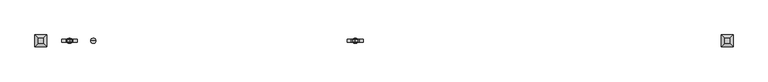
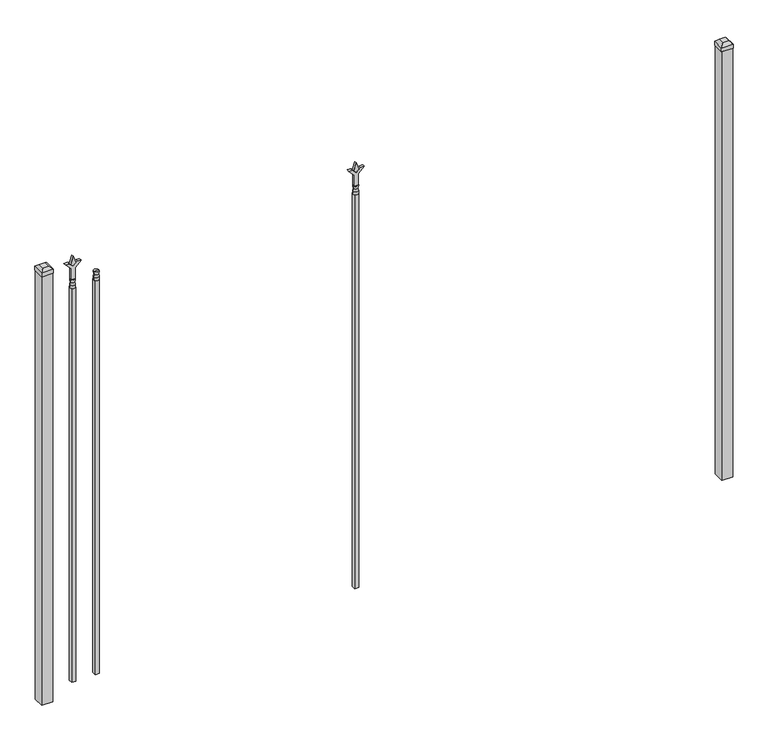
"""IFC4 building model written with IfcOpenShell, lengths in millimetres: railing geometry."""

from ifc_helpers import new_model, si_unit, frame, origin, origin_with_axes, place, context, project, spatial, polyline, circle_curve, outline, extrude, faceted_brep, source, transform, mapped, element, save
from ifc_brep_helpers import plane_surface, cylinder_surface, revolved_surface, advanced_brep


def railing_05d75463(model_context):
    return source(origin(), model_context, "Body", "SolidModel", [
        advanced_brep(
        [(-61092.3764203, 5460.7429826, 1993.9), (-61116.1889203, 5460.7429826, 1993.9), (-61116.1889203, 5460.7429826, 1981.2), (-61092.3764203, 5460.7429826, 1981.2), (-61094.5817522, 5460.7429826, 2006.4070585), (-61113.9835884, 5460.7429826, 2006.4070585), (-61092.3764203, 5460.7429826, 2022.475), (-61116.1889203, 5460.7429826, 2022.475), (-61104.2826703, 5460.7429826, 2022.475), (-61104.2826703, 5460.7429826, 1981.2)],
        [
            (0, 1, circle_curve(frame((-61104.2826703, 5460.7429826, 1993.9), z_axis=(0.0, 0.0, -1.0), x_axis=(-1.0, 0.0, 0.0)), 11.90625)),
            (1, 2),
            (2, 3, circle_curve(frame((-61104.2826703, 5460.7429826, 1981.2), z_axis=(0.0, 0.0, 1.0), x_axis=(-1.0, 0.0, 0.0)), 11.90625)),
            (3, 0),
            (1, 0, circle_curve(frame((-61104.2826703, 5460.7429826, 1993.9), z_axis=(0.0, 0.0, -1.0), x_axis=(-1.0, 0.0, 0.0)), 11.90625)),
            (3, 2, circle_curve(frame((-61104.2826703, 5460.7429826, 1981.2), z_axis=(0.0, 0.0, 1.0), x_axis=(-1.0, 0.0, 0.0)), 11.90625)),
            (4, 5, circle_curve(frame((-61104.2826703, 5460.7429826, 2006.4070585), z_axis=(0.0, 0.0, -1.0), x_axis=(-1.0, 0.0, 0.0)), 9.7009181)),
            (5, 1),
            (0, 4),
            (5, 4, circle_curve(frame((-61104.2826703, 5460.7429826, 2006.4070585), z_axis=(0.0, 0.0, -1.0), x_axis=(-1.0, 0.0, 0.0)), 9.7009181)),
            (6, 7, circle_curve(frame((-61104.2826703, 5460.7429826, 2022.475), z_axis=(0.0, 0.0, -1.0), x_axis=(-1.0, 0.0, 0.0)), 11.90625)),
            (7, 5),
            (4, 6),
            (7, 6, circle_curve(frame((-61104.2826703, 5460.7429826, 2022.475), z_axis=(0.0, 0.0, -1.0), x_axis=(-1.0, 0.0, 0.0)), 11.90625)),
            (8, 7),
            (6, 8),
            (2, 9),
            (9, 3),
        ],
        [
            cylinder_surface(frame((-61104.2826703, 5460.7429826, 1981.2), z_axis=(0.0, 0.0, 1.0), x_axis=(-1.0, 0.0, 0.0)), 11.90625),
            revolved_surface(polyline([(-61116.1889203, 5460.7429826, 1993.9), (-61113.9835884, 5460.7429826, 2006.4070585)]), (-61104.2826703, 5460.7429826, 1981.2), (0.0, 0.0, 1.0)),
            revolved_surface(polyline([(-61113.9835884, 5460.7429826, 2006.4070585), (-61116.1889203, 5460.7429826, 2022.475)]), (-61104.2826703, 5460.7429826, 1981.2), (0.0, 0.0, 1.0)),
            plane_surface(frame((-61104.2826703, 5460.7429826, 2022.475), z_axis=(0.0, 0.0, 1.0), x_axis=(-1.0, 0.0, 0.0))),
            plane_surface(frame((-61104.2826703, 5460.7429826, 1981.2), z_axis=(0.0, 0.0, -1.0), x_axis=(-1.0, 0.0, 0.0))),
        ],
        [
            (0, [[1, 2, 3, 4]]),
            (0, [[5, -4, 6, -2]]),
            (1, [[7, 8, -1, 9]]),
            (1, [[10, -9, -5, -8]]),
            (2, [[11, 12, -7, 13]]),
            (2, [[14, -13, -10, -12]]),
            (3, [[15, -11, 16]]),
            (3, [[-16, -14, -15]]),
            (4, [[-3, 17, 18]]),
            (4, [[-6, -18, -17]]),
        ],
    ),
        extrude(outline(polyline([(-61113.8076703, 5470.2679826), (-61094.7576703, 5470.2679826), (-61094.7576703, 5451.2179826), (-61113.8076703, 5451.2179826), (-61113.8076703, 5470.2679826)])), frame((0.0, 0.0, 50.8), z_axis=(0.0, 0.0, 1.0), x_axis=(1.0, 0.0, 0.0)), (0.0, 0.0, 1.0), 1930.4),
        extrude(outline(polyline([(2097.88125, -59890.374337), (2133.6, -59902.280587), (2097.88125, -59914.186837), (2085.975, -59902.280587), (2097.88125, -59890.374337)])), frame((0.0, 5455.9804826, 0.0), z_axis=(0.0, 1.0, 0.0), x_axis=(0.0, 0.0, 1.0)), (0.0, 0.0, 1.0), 9.525),
        extrude(outline(polyline([(2022.475, -59893.549337), (2076.7457378, -59893.549337), (2103.9355122, -59866.3595625), (2103.9355122, -59884.3200747), (2085.975, -59902.280587), (2103.9355122, -59920.2410992), (2103.9355122, -59938.2016114), (2076.7457378, -59911.011837), (2022.475, -59911.011837), (2022.475, -59893.549337)])), frame((0.0, 5454.3929826, 0.0), z_axis=(0.0, 1.0, 0.0), x_axis=(0.0, 0.0, 1.0)), (0.0, 0.0, 1.0), 12.7),
        advanced_brep(
        [(-59890.374337, 5460.7429826, 1993.9), (-59914.186837, 5460.7429826, 1993.9), (-59914.186837, 5460.7429826, 1981.2), (-59890.374337, 5460.7429826, 1981.2), (-59892.5796688, 5460.7429826, 2006.4070585), (-59911.9815051, 5460.7429826, 2006.4070585), (-59890.374337, 5460.7429826, 2022.475), (-59914.186837, 5460.7429826, 2022.475), (-59902.280587, 5460.7429826, 2022.475), (-59902.280587, 5460.7429826, 1981.2)],
        [
            (0, 1, circle_curve(frame((-59902.280587, 5460.7429826, 1993.9), z_axis=(0.0, 0.0, -1.0), x_axis=(-1.0, 0.0, 0.0)), 11.90625)),
            (1, 2),
            (2, 3, circle_curve(frame((-59902.280587, 5460.7429826, 1981.2), z_axis=(0.0, 0.0, 1.0), x_axis=(-1.0, 0.0, 0.0)), 11.90625)),
            (3, 0),
            (1, 0, circle_curve(frame((-59902.280587, 5460.7429826, 1993.9), z_axis=(0.0, 0.0, -1.0), x_axis=(-1.0, 0.0, 0.0)), 11.90625)),
            (3, 2, circle_curve(frame((-59902.280587, 5460.7429826, 1981.2), z_axis=(0.0, 0.0, 1.0), x_axis=(-1.0, 0.0, 0.0)), 11.90625)),
            (4, 5, circle_curve(frame((-59902.280587, 5460.7429826, 2006.4070585), z_axis=(0.0, 0.0, -1.0), x_axis=(-1.0, 0.0, 0.0)), 9.7009181)),
            (5, 1),
            (0, 4),
            (5, 4, circle_curve(frame((-59902.280587, 5460.7429826, 2006.4070585), z_axis=(0.0, 0.0, -1.0), x_axis=(-1.0, 0.0, 0.0)), 9.7009181)),
            (6, 7, circle_curve(frame((-59902.280587, 5460.7429826, 2022.475), z_axis=(0.0, 0.0, -1.0), x_axis=(-1.0, 0.0, 0.0)), 11.90625)),
            (7, 5),
            (4, 6),
            (7, 6, circle_curve(frame((-59902.280587, 5460.7429826, 2022.475), z_axis=(0.0, 0.0, -1.0), x_axis=(-1.0, 0.0, 0.0)), 11.90625)),
            (8, 7),
            (6, 8),
            (2, 9),
            (9, 3),
        ],
        [
            cylinder_surface(frame((-59902.280587, 5460.7429826, 1981.2), z_axis=(0.0, 0.0, 1.0), x_axis=(-1.0, 0.0, 0.0)), 11.90625),
            revolved_surface(polyline([(-59914.186837, 5460.7429826, 1993.9), (-59911.9815051, 5460.7429826, 2006.4070585)]), (-59902.280587, 5460.7429826, 1981.2), (0.0, 0.0, 1.0)),
            revolved_surface(polyline([(-59911.9815051, 5460.7429826, 2006.4070585), (-59914.186837, 5460.7429826, 2022.475)]), (-59902.280587, 5460.7429826, 1981.2), (0.0, 0.0, 1.0)),
            plane_surface(frame((-59902.280587, 5460.7429826, 2022.475), z_axis=(0.0, 0.0, 1.0), x_axis=(-1.0, 0.0, 0.0))),
            plane_surface(frame((-59902.280587, 5460.7429826, 1981.2), z_axis=(0.0, 0.0, -1.0), x_axis=(-1.0, 0.0, 0.0))),
        ],
        [
            (0, [[1, 2, 3, 4]]),
            (0, [[5, -4, 6, -2]]),
            (1, [[7, 8, -1, 9]]),
            (1, [[10, -9, -5, -8]]),
            (2, [[11, 12, -7, 13]]),
            (2, [[14, -13, -10, -12]]),
            (3, [[15, -11, 16]]),
            (3, [[-16, -14, -15]]),
            (4, [[-3, 17, 18]]),
            (4, [[-6, -18, -17]]),
        ],
    ),
        extrude(outline(polyline([(-59911.805587, 5470.2679826), (-59892.755587, 5470.2679826), (-59892.755587, 5451.2179826), (-59911.805587, 5451.2179826), (-59911.805587, 5470.2679826)])), frame((0.0, 0.0, 50.8), z_axis=(0.0, 0.0, 1.0), x_axis=(1.0, 0.0, 0.0)), (0.0, 0.0, 1.0), 1930.4),
        extrude(outline(polyline([(2097.88125, -61201.649337), (2133.6, -61213.555587), (2097.88125, -61225.461837), (2085.975, -61213.555587), (2097.88125, -61201.649337)])), frame((0.0, 5455.9804826, 0.0), z_axis=(0.0, 1.0, 0.0), x_axis=(0.0, 0.0, 1.0)), (0.0, 0.0, 1.0), 9.525),
        extrude(outline(polyline([(2022.475, -61204.824337), (2076.7457378, -61204.824337), (2103.9355122, -61177.6345625), (2103.9355122, -61195.5950747), (2085.975, -61213.555587), (2103.9355122, -61231.5160992), (2103.9355122, -61249.4766114), (2076.7457378, -61222.286837), (2022.475, -61222.286837), (2022.475, -61204.824337)])), frame((0.0, 5454.3929826, 0.0), z_axis=(0.0, 1.0, 0.0), x_axis=(0.0, 0.0, 1.0)), (0.0, 0.0, 1.0), 12.7),
        advanced_brep(
        [(-61201.649337, 5460.7429826, 1993.9), (-61225.461837, 5460.7429826, 1993.9), (-61225.461837, 5460.7429826, 1981.2), (-61201.649337, 5460.7429826, 1981.2), (-61203.8546688, 5460.7429826, 2006.4070585), (-61223.2565051, 5460.7429826, 2006.4070585), (-61201.649337, 5460.7429826, 2022.475), (-61225.461837, 5460.7429826, 2022.475), (-61213.555587, 5460.7429826, 2022.475), (-61213.555587, 5460.7429826, 1981.2)],
        [
            (0, 1, circle_curve(frame((-61213.555587, 5460.7429826, 1993.9), z_axis=(0.0, 0.0, -1.0), x_axis=(-1.0, 0.0, 0.0)), 11.90625)),
            (1, 2),
            (2, 3, circle_curve(frame((-61213.555587, 5460.7429826, 1981.2), z_axis=(0.0, 0.0, 1.0), x_axis=(-1.0, 0.0, 0.0)), 11.90625)),
            (3, 0),
            (1, 0, circle_curve(frame((-61213.555587, 5460.7429826, 1993.9), z_axis=(0.0, 0.0, -1.0), x_axis=(-1.0, 0.0, 0.0)), 11.90625)),
            (3, 2, circle_curve(frame((-61213.555587, 5460.7429826, 1981.2), z_axis=(0.0, 0.0, 1.0), x_axis=(-1.0, 0.0, 0.0)), 11.90625)),
            (4, 5, circle_curve(frame((-61213.555587, 5460.7429826, 2006.4070585), z_axis=(0.0, 0.0, -1.0), x_axis=(-1.0, 0.0, 0.0)), 9.7009181)),
            (5, 1),
            (0, 4),
            (5, 4, circle_curve(frame((-61213.555587, 5460.7429826, 2006.4070585), z_axis=(0.0, 0.0, -1.0), x_axis=(-1.0, 0.0, 0.0)), 9.7009181)),
            (6, 7, circle_curve(frame((-61213.555587, 5460.7429826, 2022.475), z_axis=(0.0, 0.0, -1.0), x_axis=(-1.0, 0.0, 0.0)), 11.90625)),
            (7, 5),
            (4, 6),
            (7, 6, circle_curve(frame((-61213.555587, 5460.7429826, 2022.475), z_axis=(0.0, 0.0, -1.0), x_axis=(-1.0, 0.0, 0.0)), 11.90625)),
            (8, 7),
            (6, 8),
            (2, 9),
            (9, 3),
        ],
        [
            cylinder_surface(frame((-61213.555587, 5460.7429826, 1981.2), z_axis=(0.0, 0.0, 1.0), x_axis=(-1.0, 0.0, 0.0)), 11.90625),
            revolved_surface(polyline([(-61225.461837, 5460.7429826, 1993.9), (-61223.2565051, 5460.7429826, 2006.4070585)]), (-61213.555587, 5460.7429826, 1981.2), (0.0, 0.0, 1.0)),
            revolved_surface(polyline([(-61223.2565051, 5460.7429826, 2006.4070585), (-61225.461837, 5460.7429826, 2022.475)]), (-61213.555587, 5460.7429826, 1981.2), (0.0, 0.0, 1.0)),
            plane_surface(frame((-61213.555587, 5460.7429826, 2022.475), z_axis=(0.0, 0.0, 1.0), x_axis=(-1.0, 0.0, 0.0))),
            plane_surface(frame((-61213.555587, 5460.7429826, 1981.2), z_axis=(0.0, 0.0, -1.0), x_axis=(-1.0, 0.0, 0.0))),
        ],
        [
            (0, [[1, 2, 3, 4]]),
            (0, [[5, -4, 6, -2]]),
            (1, [[7, 8, -1, 9]]),
            (1, [[10, -9, -5, -8]]),
            (2, [[11, 12, -7, 13]]),
            (2, [[14, -13, -10, -12]]),
            (3, [[15, -11, 16]]),
            (3, [[-16, -14, -15]]),
            (4, [[-3, 17, 18]]),
            (4, [[-6, -18, -17]]),
        ],
    ),
        extrude(outline(polyline([(-61223.080587, 5470.2679826), (-61204.030587, 5470.2679826), (-61204.030587, 5451.2179826), (-61223.080587, 5451.2179826), (-61223.080587, 5470.2679826)])), frame((0.0, 0.0, 50.8), z_axis=(0.0, 0.0, 1.0), x_axis=(1.0, 0.0, 0.0)), (0.0, 0.0, 1.0), 1930.4),
        extrude(outline(polyline([(-58170.318087, 5486.1429826), (-58170.318087, 5435.3429826), (-58221.118087, 5435.3429826), (-58221.118087, 5486.1429826), (-58170.318087, 5486.1429826)])), origin_with_axes(), (0.0, 0.0, 1.0), 2101.85),
        faceted_brep([(-58222.705587, 5487.7304826, 2120.9), (-58222.705587, 5487.7304826, 2101.85), (-58222.705587, 5433.7554826, 2101.85), (-58222.705587, 5433.7554826, 2120.9), (-58210.005587, 5475.0304826, 2133.6), (-58210.005587, 5446.4554826, 2133.6), (-58168.730587, 5433.7554826, 2101.85), (-58168.730587, 5433.7554826, 2120.9), (-58181.430587, 5446.4554826, 2133.6), (-58168.730587, 5487.7304826, 2101.85), (-58168.730587, 5487.7304826, 2120.9), (-58181.430587, 5475.0304826, 2133.6)], [[[0, 1, 2, 3]], [[4, 0, 3, 5]], [[3, 2, 6, 7]], [[5, 3, 7, 8]], [[7, 6, 9, 10]], [[8, 7, 10, 11]], [[10, 9, 1, 0]], [[11, 10, 0, 4]], [[5, 8, 11, 4]], [[1, 9, 6, 2]]]),
        extrude(outline(polyline([(-61319.918087, 5486.1429826), (-61319.918087, 5435.3429826), (-61370.718087, 5435.3429826), (-61370.718087, 5486.1429826), (-61319.918087, 5486.1429826)])), origin_with_axes(), (0.0, 0.0, 1.0), 2101.85),
        faceted_brep([(-61372.305587, 5487.7304826, 2120.9), (-61372.305587, 5487.7304826, 2101.85), (-61372.305587, 5433.7554826, 2101.85), (-61372.305587, 5433.7554826, 2120.9), (-61359.605587, 5475.0304826, 2133.6), (-61359.605587, 5446.4554826, 2133.6), (-61318.330587, 5433.7554826, 2101.85), (-61318.330587, 5433.7554826, 2120.9), (-61331.030587, 5446.4554826, 2133.6), (-61318.330587, 5487.7304826, 2101.85), (-61318.330587, 5487.7304826, 2120.9), (-61331.030587, 5475.0304826, 2133.6)], [[[0, 1, 2, 3]], [[4, 0, 3, 5]], [[3, 2, 6, 7]], [[5, 3, 7, 8]], [[7, 6, 9, 10]], [[8, 7, 10, 11]], [[10, 9, 1, 0]], [[11, 10, 0, 4]], [[5, 8, 11, 4]], [[1, 9, 6, 2]]]),
    ])


if __name__ == "__main__":
    model = new_model("IFC4")
    model_context = context("Model", 3, world=origin())
    ifc_project = project(units=[si_unit("LENGTHUNIT", "METRE", prefix="MILLI")], contexts=[model_context])
    site = spatial("IfcSite", under=ifc_project)
    building = spatial("IfcBuilding", under=site)
    placement = place(None, origin())
    railing_shape = railing_05d75463(model_context)
    element("IfcRailing", 1, at=placement, inside=building, context=model_context, shape_type="MappedRepresentation", body=[
        mapped(railing_shape, transform((0.0, 0.0, 0.0), x_axis=(1.0, 0.0, 0.0), y_axis=(0.0, 1.0, 0.0), z_axis=(0.0, 0.0, 1.0))),
    ])
    save(model, "model.ifc")
